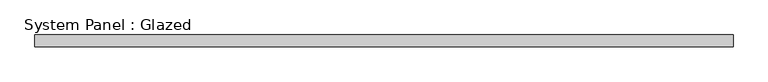
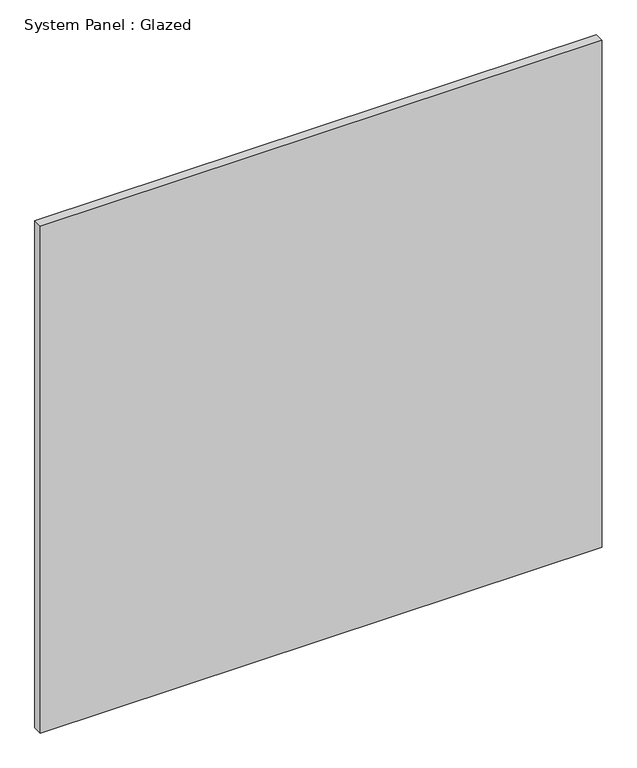
"""IFC4 building model written with IfcOpenShell, lengths in millimetres: plate geometry, System Panel : Glazed."""

from ifc_helpers import new_model, si_unit, origin, origin_with_axes, place, context, project, spatial, polyline, outline, extrude, source, transform, mapped, element, save


def system_panel_glazed_ff7f53fe(model_context):
    return source(origin(), model_context, "Body", "SweptSolid", [
        extrude(outline(polyline([(731.7501169, 24.5), (-731.7501169, 24.5), (-731.7501169, 49.5), (731.7501169, 49.5), (731.7501169, 24.5)])), origin_with_axes(), (0.0, 0.0, 1.0), 1395.0),
    ])


if __name__ == "__main__":
    model = new_model("IFC4")
    model_context = context("Model", 3, world=origin())
    ifc_project = project(units=[si_unit("LENGTHUNIT", "METRE", prefix="MILLI")], contexts=[model_context])
    site = spatial("IfcSite", under=ifc_project)
    building = spatial("IfcBuilding", under=site)
    placement = place(None, origin())
    system_panel_glazed_shape = system_panel_glazed_ff7f53fe(model_context)
    element("IfcPlate", 1, ObjectType="System Panel : Glazed", at=placement, inside=building, context=model_context, shape_type="MappedRepresentation", body=[
        mapped(system_panel_glazed_shape, transform((0.0, 0.0, 0.0), x_axis=(1.0, 0.0, 0.0), y_axis=(0.0, 1.0, 0.0), z_axis=(0.0, 0.0, 1.0))),
    ])
    save(model, "model.ifc")
